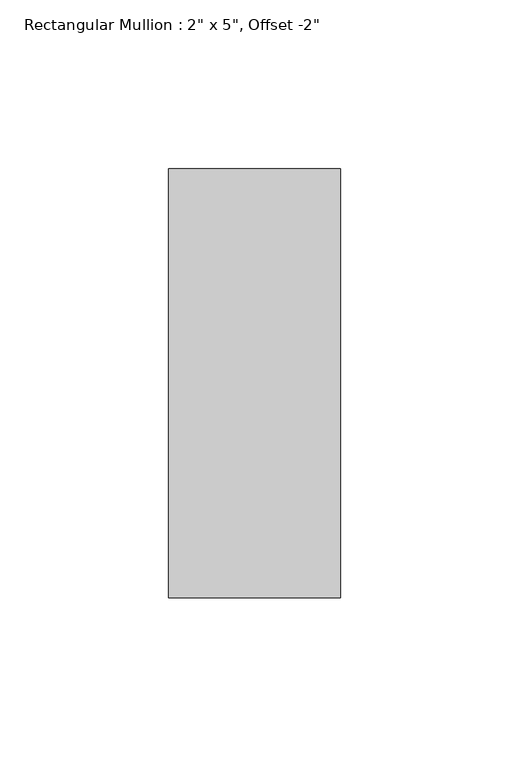
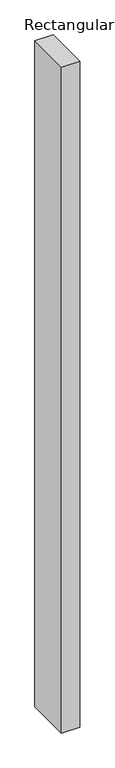
"""IFC4 building model written with IfcOpenShell, lengths in millimetres: member geometry."""

from ifc_helpers import new_model, si_unit, frame, origin, place, context, project, spatial, polyline, outline, extrude, source, transform, mapped, element, save


def member_02066b96(model_context):
    return source(origin(), model_context, "Body", "SweptSolid", [
        extrude(outline(polyline([(0.0, 114.3), (0.0, -12.7), (-50.8, -12.7), (-50.8, 114.3), (0.0, 114.3)])), frame((0.0, 0.0, -1952.3321294), z_axis=(0.0, 0.0, 1.0), x_axis=(1.0, 0.0, 0.0)), (0.0, 0.0, 1.0), 1952.3321294),
    ])


if __name__ == "__main__":
    model = new_model("IFC4")
    model_context = context("Model", 3, world=origin())
    ifc_project = project(units=[si_unit("LENGTHUNIT", "METRE", prefix="MILLI")], contexts=[model_context])
    site = spatial("IfcSite", under=ifc_project)
    building = spatial("IfcBuilding", under=site)
    placement = place(None, origin())
    member_shape = member_02066b96(model_context)
    element("IfcMember", 1, ObjectType="Rectangular Mullion : 2\" x 5\", Offset -2\"", at=placement, inside=building, context=model_context, shape_type="MappedRepresentation", body=[
        mapped(member_shape, transform((0.0, 0.0, 0.0), x_axis=(1.0, 0.0, 0.0), y_axis=(0.0, 1.0, 0.0), z_axis=(0.0, 0.0, 1.0))),
    ])
    save(model, "model.ifc")
